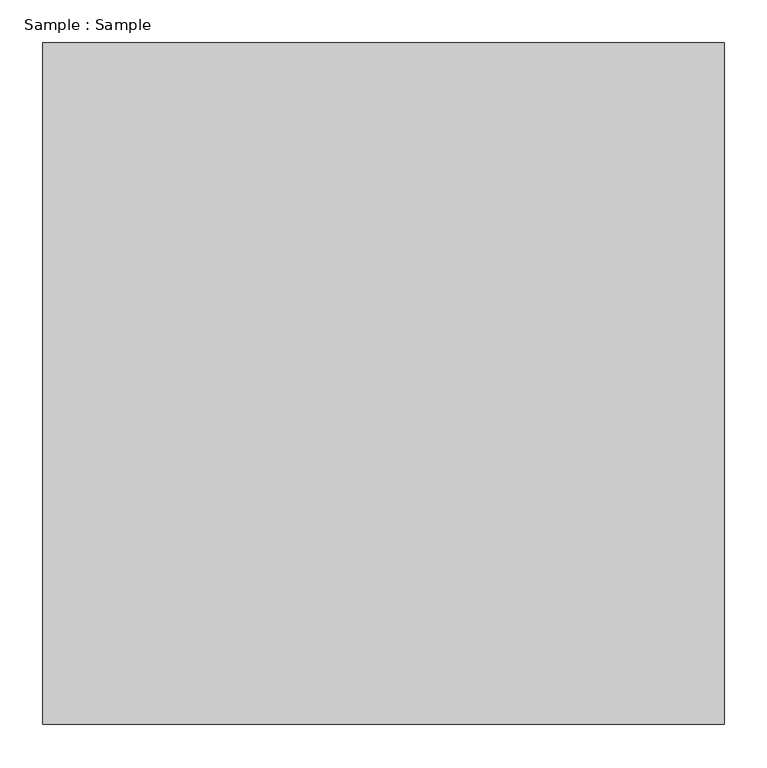
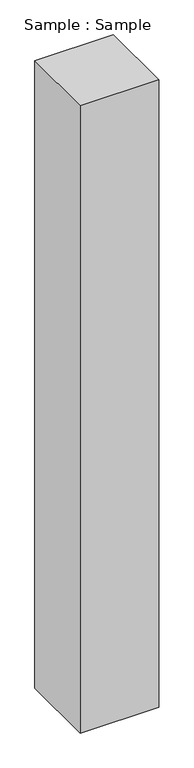
"""IFC4 building model written with IfcOpenShell, lengths in millimetres: proxy geometry, Sample : Sample."""

from ifc_helpers import new_model, si_unit, origin, origin_with_axes, place, context, project, spatial, polyline, outline, extrude, source, transform, mapped, element, save


def sample_sample_585ae59b(model_context):
    return source(origin(), model_context, "Body", "SweptSolid", [
        extrude(outline(polyline([(400.0, 400.0), (400.0, -400.0), (-400.0, -400.0), (-400.0, 400.0), (400.0, 400.0)])), origin_with_axes(), (0.0, 0.0, 1.0), 6758.6206897),
    ])


if __name__ == "__main__":
    model = new_model("IFC4")
    model_context = context("Model", 3, world=origin())
    ifc_project = project(units=[si_unit("LENGTHUNIT", "METRE", prefix="MILLI")], contexts=[model_context])
    site = spatial("IfcSite", under=ifc_project)
    building = spatial("IfcBuilding", under=site)
    placement = place(None, origin())
    sample_sample_shape = sample_sample_585ae59b(model_context)
    element("IfcBuildingElementProxy", 1, Name="Sample : Sample", ObjectType="Sample : Sample", at=placement, inside=building, context=model_context, shape_type="MappedRepresentation", body=[
        mapped(sample_sample_shape, transform((0.0, 0.0, 0.0), x_axis=(1.0, 0.0, 0.0), y_axis=(0.0, 1.0, 0.0), z_axis=(0.0, 0.0, 1.0))),
    ])
    save(model, "model.ifc")
